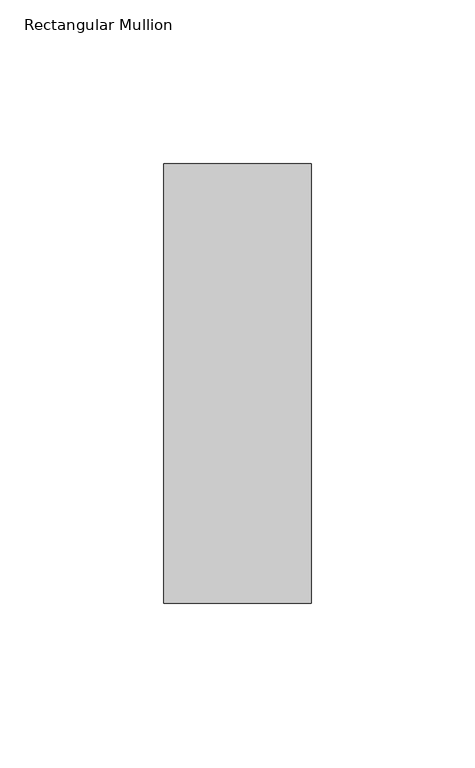
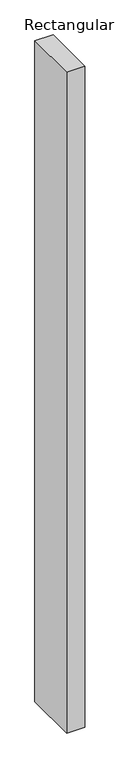
"""IFC4 building model written with IfcOpenShell, lengths in millimetres: member geometry, Rectangular Mullion."""

from ifc_helpers import new_model, si_unit, frame, origin, place, context, project, spatial, polyline, outline, extrude, source, transform, mapped, element, save


def rectangular_mullion_15cbb016(model_context):
    return source(origin(), model_context, "Body", "SweptSolid", [
        extrude(outline(polyline([(22.5, 82.60625), (22.5, -51.60625), (-22.5, -51.60625), (-22.5, 82.60625), (22.5, 82.60625)])), frame((0.0, 0.0, -1708.8912252), z_axis=(0.0, 0.0, 1.0), x_axis=(1.0, 0.0, 0.0)), (0.0, 0.0, 1.0), 1708.8912252),
    ])


if __name__ == "__main__":
    model = new_model("IFC4")
    model_context = context("Model", 3, world=origin())
    ifc_project = project(units=[si_unit("LENGTHUNIT", "METRE", prefix="MILLI")], contexts=[model_context])
    site = spatial("IfcSite", under=ifc_project)
    building = spatial("IfcBuilding", under=site)
    placement = place(None, origin())
    rectangular_mullion_shape = rectangular_mullion_15cbb016(model_context)
    element("IfcMember", 1, ObjectType="Rectangular Mullion", at=placement, inside=building, context=model_context, shape_type="MappedRepresentation", body=[
        mapped(rectangular_mullion_shape, transform((0.0, 0.0, 0.0), x_axis=(1.0, 0.0, 0.0), y_axis=(0.0, 1.0, 0.0), z_axis=(0.0, 0.0, 1.0))),
    ])
    save(model, "model.ifc")
